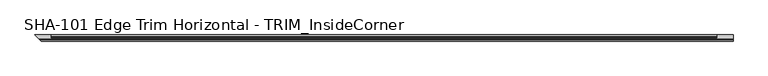
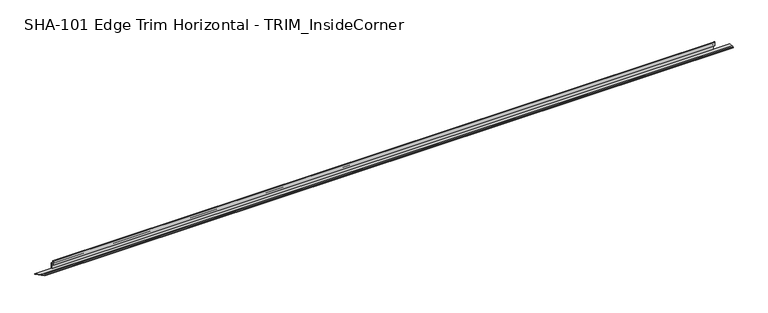
"""IFC4 building model written with IfcOpenShell, lengths in millimetres: proxy geometry, SHA-101 Edge Trim Horizontal - TRIM_InsideCorner."""

from ifc_helpers import new_model, si_unit, frame, origin, place, context, project, spatial, polyline, circle_curve, ellipse_curve, source, transform, mapped, element, save
from ifc_brep_helpers import plane_surface, cylinder_surface, revolved_surface, advanced_brep


def sha_101_edge_trim_horizontal_trim_insidecorner_2c655511(model_context):
    return source(origin(), model_context, "Body", "AdvancedBrep", [
        advanced_brep(
        [(2152.65, 7.0200081, 1.5748), (2152.65, 3.8704081, 1.5748), (2152.65, 0.79375, 1.5748), (2152.65, 0.79375, 0.0), (2152.65, 19.7327081, 0.0), (2152.65, 19.7327081, 1.5748), (0.0, 19.7327081, 0.0), (0.0, 19.7327081, 1.5748), (50.8, 19.7327081, 1.5748), (50.8, 19.7327081, 19.0246), (2101.85, 19.7327081, 19.0246), (2101.85, 19.7327081, 1.5748), (50.8, 14.3400511, 19.0246), (2101.85, 14.3400511, 19.0246), (50.8, 12.5290774, 29.6006869), (2101.85, 12.5290774, 29.6006869), (50.8, 11.4003846, 30.0600848), (50.8, 10.2077081, 29.5346031), (2101.85, 10.2077081, 29.5346031), (2101.85, 11.4003846, 30.0600848), (50.8, 10.2077081, 17.4498), (2101.85, 10.2077081, 17.4498), (50.8, 16.8879081, 17.4498), (2101.85, 16.8879081, 17.4498), (50.8, 18.1579081, 16.1798), (2101.85, 18.1579081, 16.1798), (50.8, 18.1579081, 1.5748), (2101.85, 18.1579081, 1.5748), (12.7127, 7.0200081, 1.5748), (15.8623, 3.8704081, 1.5748), (18.9389581, 0.79375, 1.5748), (18.9389581, 0.79375, 0.0)],
        [
            (0, 1, circle_curve(frame((2152.65, 5.4452081, 1.5748), z_axis=(1.0, 0.0, 0.0), x_axis=(0.0, 1.0, 0.0)), 1.5748)),
            (1, 2),
            (2, 3),
            (3, 4),
            (4, 5),
            (5, 0),
            (4, 6),
            (6, 7),
            (7, 8),
            (8, 9),
            (9, 10),
            (10, 11),
            (11, 5),
            (9, 12),
            (12, 13),
            (13, 10),
            (12, 14),
            (14, 15),
            (15, 13),
            (14, 16, circle_curve(frame((50.8, 11.4003846, 28.4438454), z_axis=(1.0, 0.0, 0.0), x_axis=(0.0, 1.0, 0.0)), 1.6162393)),
            (16, 17, circle_curve(frame((50.8, 11.4003846, 28.4438454), z_axis=(1.0, 0.0, 0.0), x_axis=(0.0, 1.0, 0.0)), 1.6162393)),
            (17, 18),
            (18, 19, circle_curve(frame((2101.85, 11.4003846, 28.4438454), z_axis=(-1.0, 0.0, 0.0), x_axis=(0.0, 1.0, 0.0)), 1.6162393)),
            (19, 15, circle_curve(frame((2101.85, 11.4003846, 28.4438454), z_axis=(-1.0, 0.0, 0.0), x_axis=(0.0, 1.0, 0.0)), 1.6162393)),
            (17, 20),
            (20, 21),
            (21, 18),
            (20, 22),
            (22, 23),
            (23, 21),
            (22, 24, circle_curve(frame((50.8, 16.8879081, 16.1798), z_axis=(-1.0, 0.0, 0.0), x_axis=(0.0, 1.0, 0.0)), 1.27)),
            (24, 25),
            (25, 23, circle_curve(frame((2101.85, 16.8879081, 16.1798), z_axis=(1.0, 0.0, 0.0), x_axis=(0.0, 1.0, 0.0)), 1.27)),
            (24, 26),
            (26, 27),
            (27, 25),
            (11, 27),
            (26, 8),
            (7, 28),
            (28, 0),
            (28, 29, ellipse_curve(frame((14.2875, 5.4452081, 1.5748), z_axis=(0.707106781186549, 0.707106781186546, 0.0), x_axis=(0.707106781186546, -0.707106781186549, 0.0)), 2.2271035, 1.5748)),
            (29, 1),
            (29, 30),
            (30, 2),
            (30, 31),
            (31, 3),
            (31, 6),
        ],
        [
            plane_surface(frame((2152.65, 19.7327081, 19.0246), z_axis=(1.0, 0.0, 0.0), x_axis=(0.0, 0.0, 1.0))),
            plane_surface(frame((2152.65, 19.7327081, 0.0), z_axis=(0.0, 1.0, 0.0), x_axis=(-1.0, 0.0, 0.0))),
            plane_surface(frame((2152.65, 19.7327081, 19.0246), z_axis=(0.0, 0.0, 1.0), x_axis=(-1.0, 0.0, 0.0))),
            plane_surface(frame((2152.65, 14.3400511, 19.0246), z_axis=(0.0, 0.9856543593990696, 0.16877643140441637), x_axis=(-1.0, 0.0, 0.0))),
            cylinder_surface(frame((0.0, 11.4003846, 28.4438454), z_axis=(1.0, 0.0, 0.0), x_axis=(0.0, 1.0, 0.0)), 1.6162393),
            plane_surface(frame((2152.65, 10.2077081, 29.5346031), z_axis=(0.0, -1.0, 0.0), x_axis=(-1.0, 0.0, 0.0))),
            plane_surface(frame((2152.65, 10.2077081, 17.4498), z_axis=(0.0, 0.0, -1.0), x_axis=(-1.0, 0.0, 0.0))),
            revolved_surface(polyline([(50.8, 18.1579081, 16.1798), (2101.85, 18.1579081, 16.1798)]), (0.0, 16.8879081, 16.1798), (-1.0, 0.0, 0.0)),
            plane_surface(frame((2152.65, 18.1579081, 16.1798), z_axis=(0.0, -1.0, 0.0), x_axis=(-1.0, 0.0, 0.0))),
            plane_surface(frame((2152.65, 18.1579081, 1.5748), z_axis=(0.0, 0.0, 1.0), x_axis=(-1.0, 0.0, 0.0))),
            cylinder_surface(frame((0.0, 5.4452081, 1.5748), z_axis=(1.0, 0.0, 0.0), x_axis=(0.0, 1.0, 0.0)), 1.5748),
            plane_surface(frame((2152.65, 3.8704081, 1.5748), z_axis=(0.0, 0.0, 1.0), x_axis=(-1.0, 0.0, 0.0))),
            plane_surface(frame((2152.65, 0.79375, 1.5748), z_axis=(0.0, -1.0, 0.0), x_axis=(-1.0, 0.0, 0.0))),
            plane_surface(frame((2152.65, 0.79375, 0.0), z_axis=(0.0, 0.0, -1.0), x_axis=(-1.0, 0.0, 0.0))),
            plane_surface(frame((2101.85, 10.2077081, 30.0600848), z_axis=(1.0, 0.0, 0.0), x_axis=(0.0, 1.0, 0.0))),
            plane_surface(frame((50.8, 10.2077081, 1.5748), z_axis=(-1.0, 0.0, 0.0), x_axis=(0.0, 1.0, 0.0))),
            plane_surface(frame((19.7327081, 0.0, 66.04), z_axis=(-0.707106781186549, -0.707106781186546, 0.0), x_axis=(0.0, 0.0, -1.0))),
        ],
        [
            (0, [[1, 2, 3, 4, 5, 6]]),
            (1, [[7, 8, 9, 10, 11, 12, 13, -5]]),
            (2, [[-11, 14, 15, 16]]),
            (3, [[-15, 17, 18, 19]]),
            (4, [[-18, 20, 21, 22, 23, 24]]),
            (5, [[-22, 25, 26, 27]]),
            (6, [[-26, 28, 29, 30]]),
            (7, [[-29, 31, 32, 33]]),
            (8, [[-32, 34, 35, 36]]),
            (9, [[37, -35, 38, -9, 39, 40, -6, -13]]),
            (10, [[-1, -40, 41, 42]]),
            (11, [[-2, -42, 43, 44]]),
            (12, [[-3, -44, 45, 46]]),
            (13, [[-4, -46, 47, -7]]),
            (14, [[-37, -12, -16, -19, -24, -23, -27, -30, -33, -36]]),
            (15, [[-38, -34, -31, -28, -25, -21, -20, -17, -14, -10]]),
            (16, [[-8, -47, -45, -43, -41, -39]]),
        ],
    ),
    ])


if __name__ == "__main__":
    model = new_model("IFC4")
    model_context = context("Model", 3, world=origin())
    ifc_project = project(units=[si_unit("LENGTHUNIT", "METRE", prefix="MILLI")], contexts=[model_context])
    site = spatial("IfcSite", under=ifc_project)
    building = spatial("IfcBuilding", under=site)
    placement = place(None, origin())
    sha_101_edge_trim_horizontal_trim_insidecorner_shape = sha_101_edge_trim_horizontal_trim_insidecorner_2c655511(model_context)
    element("IfcBuildingElementProxy", 1, Name="SHA-101 Edge Trim Horizontal - TRIM_InsideCorner", ObjectType="SHA-101 Edge Trim Horizontal - TRIM_InsideCorner", at=placement, inside=building, context=model_context, shape_type="MappedRepresentation", body=[
        mapped(sha_101_edge_trim_horizontal_trim_insidecorner_shape, transform((0.0, 0.0, 0.0), x_axis=(1.0, 0.0, 0.0), y_axis=(0.0, 1.0, 0.0), z_axis=(0.0, 0.0, 1.0))),
    ])
    save(model, "model.ifc")
